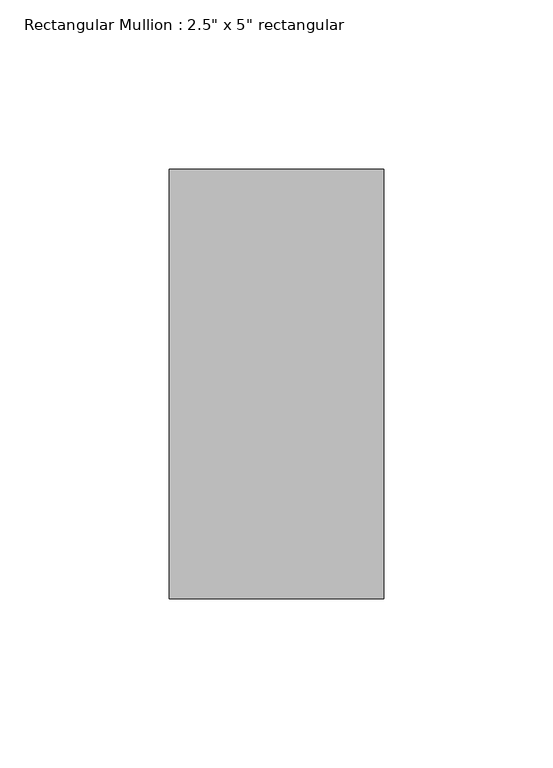
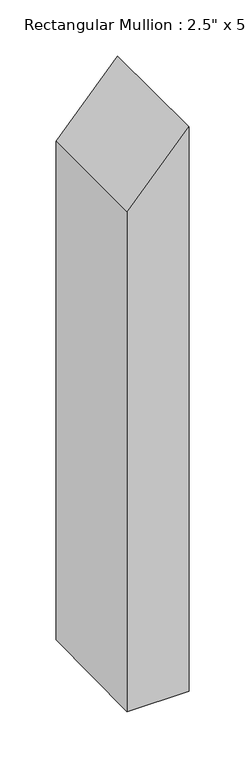
"""IFC4 building model written with IfcOpenShell, lengths in millimetres: member geometry."""

from ifc_helpers import new_model, si_unit, origin, place, context, project, spatial, faceted_brep, source, transform, mapped, element, save


def member_fbc345f2(model_context):
    return source(origin(), model_context, "Body", "Brep", [
        faceted_brep([(-63.5, 63.5, -70.4894028), (0.0, 63.5, 0.0), (0.0, 63.5, -612.1740902), (-63.5, 63.5, -612.3984373), (-63.5, -63.5, -70.4894028), (-63.5, -63.5, -613.9034618), (0.0, -63.5, 0.0), (0.0, -63.5, -613.6791147)], [[[0, 1, 2, 3]], [[4, 0, 3, 5]], [[6, 4, 5, 7]], [[1, 6, 7, 2]], [[1, 0, 4, 6]], [[2, 7, 5, 3]]]),
    ])


if __name__ == "__main__":
    model = new_model("IFC4")
    model_context = context("Model", 3, world=origin())
    ifc_project = project(units=[si_unit("LENGTHUNIT", "METRE", prefix="MILLI")], contexts=[model_context])
    site = spatial("IfcSite", under=ifc_project)
    building = spatial("IfcBuilding", under=site)
    placement = place(None, origin())
    member_shape = member_fbc345f2(model_context)
    element("IfcMember", 1, ObjectType="Rectangular Mullion : 2.5\" x 5\" rectangular", at=placement, inside=building, context=model_context, shape_type="MappedRepresentation", body=[
        mapped(member_shape, transform((0.0, 0.0, 0.0), x_axis=(1.0, 0.0, 0.0), y_axis=(0.0, 1.0, 0.0), z_axis=(0.0, 0.0, 1.0))),
    ])
    save(model, "model.ifc")
